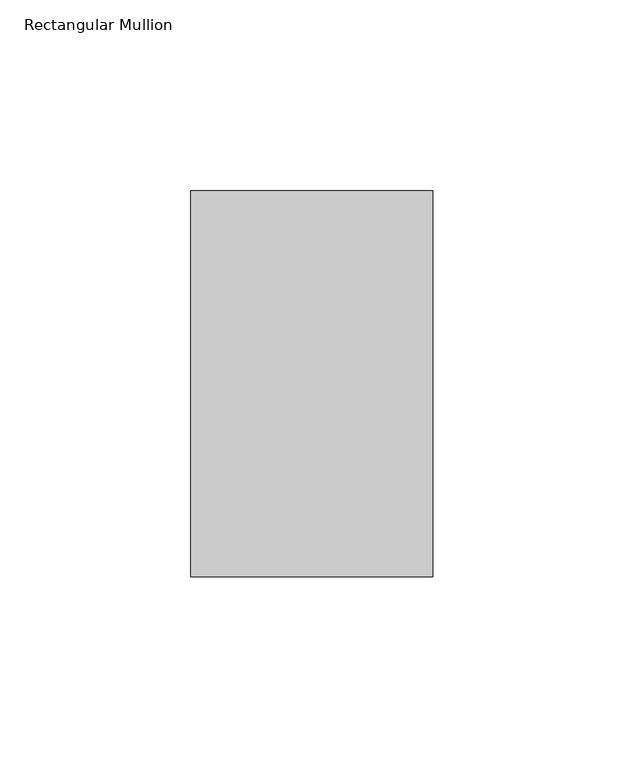
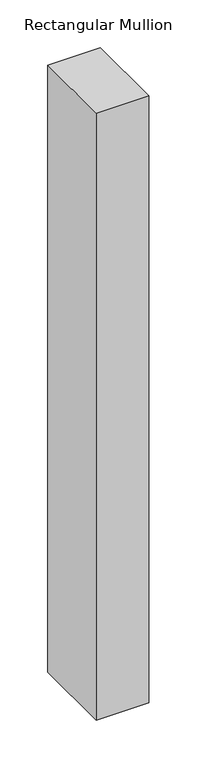
"""IFC4 building model written with IfcOpenShell, lengths in millimetres: member geometry, Rectangular Mullion."""

from ifc_helpers import new_model, si_unit, frame, origin, place, context, project, spatial, polyline, outline, extrude, source, transform, mapped, element, save


def rectangular_mullion_39112481(model_context):
    return source(origin(), model_context, "Body", "SweptSolid", [
        extrude(outline(polyline([(-31.75, 152.4896938), (31.75, 152.4896938), (31.75, 51.2960938), (-31.75, 51.2960937), (-31.75, 152.4896938)])), frame((0.0, 0.0, -774.7), z_axis=(0.0, 0.0, 1.0), x_axis=(1.0, 0.0, 0.0)), (0.0, 0.0, 1.0), 774.7),
    ])


if __name__ == "__main__":
    model = new_model("IFC4")
    model_context = context("Model", 3, world=origin())
    ifc_project = project(units=[si_unit("LENGTHUNIT", "METRE", prefix="MILLI")], contexts=[model_context])
    site = spatial("IfcSite", under=ifc_project)
    building = spatial("IfcBuilding", under=site)
    placement = place(None, origin())
    rectangular_mullion_shape = rectangular_mullion_39112481(model_context)
    element("IfcMember", 1, ObjectType="Rectangular Mullion", at=placement, inside=building, context=model_context, shape_type="MappedRepresentation", body=[
        mapped(rectangular_mullion_shape, transform((0.0, 0.0, 0.0), x_axis=(1.0, 0.0, 0.0), y_axis=(0.0, 1.0, 0.0), z_axis=(0.0, 0.0, 1.0))),
    ])
    save(model, "model.ifc")
